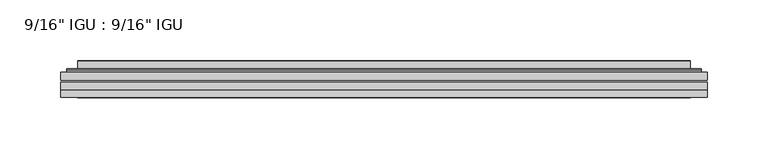
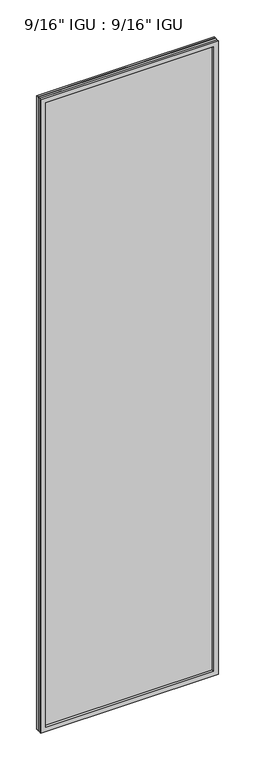
"""IFC4 building model written with IfcOpenShell, lengths in millimetres: plate geometry."""

from ifc_helpers import new_model, si_unit, frame, origin, place, context, project, spatial, polyline, ellipse_curve, outline, extrude, faceted_brep, source, transform, mapped, element, save
from ifc_brep_helpers import plane_surface, cylinder_surface, advanced_brep


def plate_5be06bb9(model_context):
    return source(origin(), model_context, "Body", "SolidModel", [
        extrude(outline(polyline([(266.7143106, -54.78145), (266.7143106, -61.1317818), (-266.7001356, -61.1317818), (-266.7001356, -54.78145), (266.7143106, -54.78145)])), frame((0.0, 0.0, -14.2875), z_axis=(0.0, 0.0, 1.0), x_axis=(1.0, 0.0, 0.0)), (0.0, 0.0, 1.0), 2009.796575),
        extrude(outline(polyline([(-266.7001356, -69.05625), (-266.7001356, -62.705745), (266.7143106, -62.705745), (266.7143106, -69.05625), (-266.7001356, -69.05625)])), frame((0.0, 0.0, -14.2875), z_axis=(0.0, 0.0, 1.0), x_axis=(1.0, 0.0, 0.0)), (0.0, 0.0, 1.0), 2009.796575),
        faceted_brep([(-266.7128356, -75.40625, 1995.5179772), (-266.7128356, -69.05625, 1995.5179772), (-266.7128356, -69.05625, -14.3002), (-266.7128356, -75.40625, -14.3002), (266.7128356, -69.05625, -14.3002), (266.7128356, -75.40625, -14.3002), (266.7128356, -69.05625, 1995.5179772), (266.7128356, -75.40625, 1995.5179772), (-251.5148915, -69.05625, 0.8977441), (251.5148915, -69.05625, 0.8977441), (251.5148915, -69.05625, 1980.320033), (-251.5148915, -69.05625, 1980.320033), (-252.4073258, -75.40625, 1981.2124673), (252.4073258, -75.40625, 1981.2124673), (252.4073258, -75.40625, 0.0053098), (-252.4073258, -75.40625, 0.0053098)], [[[0, 1, 2, 3]], [[3, 2, 4, 5]], [[5, 4, 6, 7]], [[1, 6, 4, 2], [8, 9, 10, 11]], [[7, 6, 1, 0]], [[3, 5, 7, 0], [12, 13, 14, 15]], [[11, 12, 15, 8]], [[8, 15, 14, 9]], [[9, 14, 13, 10]], [[10, 13, 12, 11]]]),
        advanced_brep(
        [(-259.4588547, -54.78145, 1988.2639962), (-261.81306, -52.7917833, 1990.6182015), (-261.81306, -52.7917833, -9.4004244), (-259.4588547, -54.78145, -7.046219), (-250.3845295, -50.941413, 1979.1896711), (-245.4496977, -54.78145, 1974.2548392), (-245.4496977, -54.78145, 6.9629379), (-250.3845295, -50.941413, 2.0281061), (-251.4165573, -45.5441819, 1980.2216988), (-251.4165573, -45.5441819, 0.9960783), (-252.4072141, -45.1452069, 1981.2123556), (-252.4072141, -45.1452069, 0.0054216), (-252.4072141, -51.60645, 1981.2123556), (-252.4072141, -51.60645, 0.0054216), (-260.8112705, -51.60645, 1989.616412), (-260.8112705, -51.60645, -8.3986349), (261.81306, -52.7917833, -9.4004244), (259.4588547, -54.78145, -7.046219), (245.4496977, -54.78145, 6.9629379), (250.3845295, -50.941413, 2.0281061), (251.4165573, -45.5441819, 0.9960783), (252.4072141, -45.1452069, 0.0054216), (252.4072141, -51.60645, 0.0054216), (260.8112705, -51.60645, -8.3986349), (261.81306, -52.7917833, 1990.6182015), (259.4588547, -54.78145, 1988.2639962), (245.4496977, -54.78145, 1974.2548392), (250.3845295, -50.941413, 1979.1896711), (251.4165573, -45.5441819, 1980.2216988), (252.4072141, -45.1452069, 1981.2123556), (252.4072141, -51.60645, 1981.2123556), (260.8112705, -51.60645, 1989.616412)],
        [
            (0, 1, ellipse_curve(frame((-259.4588547, -52.39385, 1988.2639962), z_axis=(-0.7071067811865475, 0.0, -0.7071067811865475), x_axis=(-0.7071067811865474, 0.0, 0.7071067811865476)), 3.3765763, 2.3876)),
            (1, 2),
            (2, 3, ellipse_curve(frame((-259.4588547, -52.39385, -7.046219), z_axis=(-0.7071067811865475, 0.0, 0.7071067811865475), x_axis=(0.7071067811865474, 0.0, 0.7071067811865476)), 3.3765763, 2.3876)),
            (3, 0),
            (4, 5),
            (5, 6),
            (6, 7),
            (7, 4),
            (8, 4),
            (7, 9),
            (9, 8),
            (10, 8, ellipse_curve(frame((-252.0402575, -45.6634423, 1980.845399), z_axis=(-0.7071067811865475, 0.0, -0.7071067811865475), x_axis=(-0.7071067811865474, 0.0, 0.7071067811865476)), 0.8980256, 0.635)),
            (9, 11, ellipse_curve(frame((-252.0402575, -45.6634423, 0.3723781), z_axis=(-0.7071067811865475, 0.0, 0.7071067811865475), x_axis=(0.7071067811865474, 0.0, 0.7071067811865476)), 0.8980256, 0.635)),
            (11, 10),
            (12, 10),
            (11, 13),
            (13, 12),
            (1, 14, ellipse_curve(frame((-260.8112705, -52.62245, 1989.616412), z_axis=(-0.7071067811865475, 0.0, -0.7071067811865475), x_axis=(-0.7071067811865474, 0.0, 0.7071067811865476)), 1.436841, 1.016)),
            (14, 15),
            (15, 2, ellipse_curve(frame((-260.8112705, -52.62245, -8.3986349), z_axis=(-0.7071067811865475, 0.0, 0.7071067811865475), x_axis=(0.7071067811865474, 0.0, 0.7071067811865476)), 1.436841, 1.016)),
            (2, 16),
            (16, 17, ellipse_curve(frame((259.4588547, -52.39385, -7.046219), z_axis=(-0.7071067811865475, 0.0, -0.7071067811865475), x_axis=(-0.7071067811865476, 0.0, 0.7071067811865474)), 3.3765763, 2.3876)),
            (17, 3),
            (6, 18),
            (18, 19),
            (19, 7),
            (19, 20),
            (20, 9),
            (20, 21, ellipse_curve(frame((252.0402575, -45.6634423, 0.3723781), z_axis=(-0.7071067811865475, 0.0, -0.7071067811865475), x_axis=(-0.7071067811865476, 0.0, 0.7071067811865474)), 0.8980256, 0.635)),
            (21, 11),
            (21, 22),
            (22, 13),
            (15, 23),
            (23, 16, ellipse_curve(frame((260.8112705, -52.62245, -8.3986349), z_axis=(-0.7071067811865475, 0.0, -0.7071067811865475), x_axis=(-0.7071067811865476, 0.0, 0.7071067811865474)), 1.436841, 1.016)),
            (16, 24),
            (24, 25, ellipse_curve(frame((259.4588547, -52.39385, 1988.2639962), z_axis=(0.7071067811865475, 0.0, -0.7071067811865475), x_axis=(-0.7071067811865474, 0.0, -0.7071067811865476)), 3.3765763, 2.3876)),
            (25, 17),
            (18, 26),
            (26, 27),
            (27, 19),
            (27, 28),
            (28, 20),
            (28, 29, ellipse_curve(frame((252.0402575, -45.6634423, 1980.845399), z_axis=(0.7071067811865475, 0.0, -0.7071067811865475), x_axis=(-0.7071067811865474, 0.0, -0.7071067811865476)), 0.8980256, 0.635)),
            (29, 21),
            (29, 30),
            (30, 22),
            (23, 31),
            (31, 24, ellipse_curve(frame((260.8112705, -52.62245, 1989.616412), z_axis=(0.7071067811865475, 0.0, -0.7071067811865475), x_axis=(-0.7071067811865474, 0.0, -0.7071067811865476)), 1.436841, 1.016)),
            (24, 1),
            (0, 25),
            (5, 26),
            (4, 27),
            (8, 28),
            (10, 29),
            (12, 30),
            (14, 31),
        ],
        [
            cylinder_surface(frame((-259.4588547, -52.39385, 2012.9677772), z_axis=(0.0, 0.0, 1.0), x_axis=(-1.0, 0.0, 0.0)), 2.3876),
            plane_surface(frame((-245.4496977, -54.78145, 1974.2548392), z_axis=(0.6141233906514794, 0.7892100234124821, 0.0), x_axis=(0.0, 0.0, -1.0))),
            plane_surface(frame((-250.3845295, -50.941413, 1979.1896711), z_axis=(0.9822050625507728, 0.18781164793386088, 0.0), x_axis=(0.0, 0.0, -1.0))),
            cylinder_surface(frame((-252.0402575, -45.6634423, 2012.9677772), z_axis=(0.0, 0.0, 1.0), x_axis=(-1.0, 0.0, 0.0)), 0.635),
            plane_surface(frame((-252.4072141, -45.1452069, 1981.2123556), z_axis=(-1.0, 0.0, 0.0), x_axis=(0.0, 0.0, -1.0))),
            cylinder_surface(frame((-260.8112705, -52.62245, 2012.9677772), z_axis=(0.0, 0.0, 1.0), x_axis=(-1.0, 0.0, 0.0)), 1.016),
            cylinder_surface(frame((-284.1626356, -52.39385, -7.046219), z_axis=(-1.0, 0.0, 0.0), x_axis=(0.0, 0.0, -1.0)), 2.3876),
            plane_surface(frame((-245.4496977, -54.78145, 6.9629379), z_axis=(0.0, 0.7892100234124841, 0.6141233906514768), x_axis=(1.0, 0.0, 0.0))),
            plane_surface(frame((-250.3845295, -50.941413, 2.0281061), z_axis=(0.0, 0.18781164793386404, 0.9822050625507722), x_axis=(1.0, 0.0, 0.0))),
            cylinder_surface(frame((-284.1626356, -45.6634423, 0.3723781), z_axis=(-1.0, 0.0, 0.0), x_axis=(0.0, 0.0, -1.0)), 0.635),
            plane_surface(frame((-252.4072141, -45.1452069, 0.0054216), z_axis=(0.0, 0.0, -1.0), x_axis=(1.0, 0.0, 0.0))),
            cylinder_surface(frame((-284.1626356, -52.62245, -8.3986349), z_axis=(-1.0, 0.0, 0.0), x_axis=(0.0, 0.0, -1.0)), 1.016),
            cylinder_surface(frame((259.4588547, -52.39385, -31.75), z_axis=(0.0, 0.0, -1.0), x_axis=(1.0, 0.0, 0.0)), 2.3876),
            plane_surface(frame((245.4496977, -54.78145, 6.9629379), z_axis=(-0.6141233906514743, 0.7892100234124861, 0.0), x_axis=(0.0, 0.0, 1.0))),
            plane_surface(frame((250.3845295, -50.941413, 2.0281061), z_axis=(-0.9822050625507717, 0.1878116479338672, 0.0), x_axis=(0.0, 0.0, 1.0))),
            cylinder_surface(frame((252.0402575, -45.6634423, -31.75), z_axis=(0.0, 0.0, -1.0), x_axis=(1.0, 0.0, 0.0)), 0.635),
            plane_surface(frame((252.4072141, -45.1452069, 0.0054216), z_axis=(1.0, 0.0, 0.0), x_axis=(0.0, 0.0, 1.0))),
            cylinder_surface(frame((260.8112705, -52.62245, -31.75), z_axis=(0.0, 0.0, -1.0), x_axis=(1.0, 0.0, 0.0)), 1.016),
            cylinder_surface(frame((284.1626356, -52.39385, 1988.2639962), z_axis=(1.0, 0.0, 0.0), x_axis=(0.0, 0.0, 1.0)), 2.3876),
            plane_surface(frame((259.4588547, -54.78145, 1988.2639962), z_axis=(0.0, -1.0, 0.0), x_axis=(-1.0, 0.0, 0.0))),
            plane_surface(frame((245.4496977, -54.78145, 1974.2548392), z_axis=(0.0, 0.7892100234124841, -0.6141233906514768), x_axis=(-1.0, 0.0, 0.0))),
            plane_surface(frame((250.3845295, -50.941413, 1979.1896711), z_axis=(0.0, 0.18781164793386404, -0.9822050625507722), x_axis=(-1.0, 0.0, 0.0))),
            cylinder_surface(frame((284.1626356, -45.6634423, 1980.845399), z_axis=(1.0, 0.0, 0.0), x_axis=(0.0, 0.0, 1.0)), 0.635),
            plane_surface(frame((252.4072141, -45.1452069, 1981.2123556), z_axis=(0.0, 0.0, 1.0), x_axis=(-1.0, 0.0, 0.0))),
            plane_surface(frame((252.4072141, -51.60645, 1981.2123556), z_axis=(0.0, 1.0, 0.0), x_axis=(-1.0, 0.0, 0.0))),
            cylinder_surface(frame((284.1626356, -52.62245, 1989.616412), z_axis=(1.0, 0.0, 0.0), x_axis=(0.0, 0.0, 1.0)), 1.016),
        ],
        [
            (0, [[1, 2, 3, 4]]),
            (1, [[5, 6, 7, 8]]),
            (2, [[9, -8, 10, 11]]),
            (3, [[12, -11, 13, 14]]),
            (4, [[15, -14, 16, 17]]),
            (5, [[18, 19, 20, -2]]),
            (6, [[-3, 21, 22, 23]]),
            (7, [[-7, 24, 25, 26]]),
            (8, [[-10, -26, 27, 28]]),
            (9, [[-13, -28, 29, 30]]),
            (10, [[-16, -30, 31, 32]]),
            (11, [[-20, 33, 34, -21]]),
            (12, [[-22, 35, 36, 37]]),
            (13, [[-25, 38, 39, 40]]),
            (14, [[-27, -40, 41, 42]]),
            (15, [[-29, -42, 43, 44]]),
            (16, [[-31, -44, 45, 46]]),
            (17, [[-34, 47, 48, -35]]),
            (18, [[-36, 49, -1, 50]]),
            (19, [[-23, -37, -50, -4], [51, -38, -24, -6]]),
            (20, [[-39, -51, -5, 52]]),
            (21, [[-41, -52, -9, 53]]),
            (22, [[-43, -53, -12, 54]]),
            (23, [[-45, -54, -15, 55]]),
            (24, [[56, -47, -33, -19], [-32, -46, -55, -17]]),
            (25, [[-48, -56, -18, -49]]),
        ],
    ),
    ])


if __name__ == "__main__":
    model = new_model("IFC4")
    model_context = context("Model", 3, world=origin())
    ifc_project = project(units=[si_unit("LENGTHUNIT", "METRE", prefix="MILLI")], contexts=[model_context])
    site = spatial("IfcSite", under=ifc_project)
    building = spatial("IfcBuilding", under=site)
    placement = place(None, origin())
    plate_shape = plate_5be06bb9(model_context)
    element("IfcPlate", 1, ObjectType="9/16\" IGU : 9/16\" IGU", at=placement, inside=building, context=model_context, shape_type="MappedRepresentation", body=[
        mapped(plate_shape, transform((0.0, 0.0, 0.0), x_axis=(1.0, 0.0, 0.0), y_axis=(0.0, 1.0, 0.0), z_axis=(0.0, 0.0, 1.0))),
    ])
    save(model, "model.ifc")
